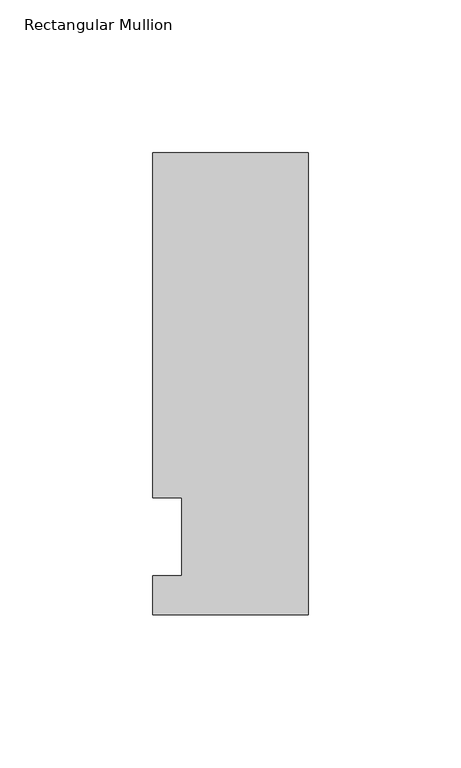
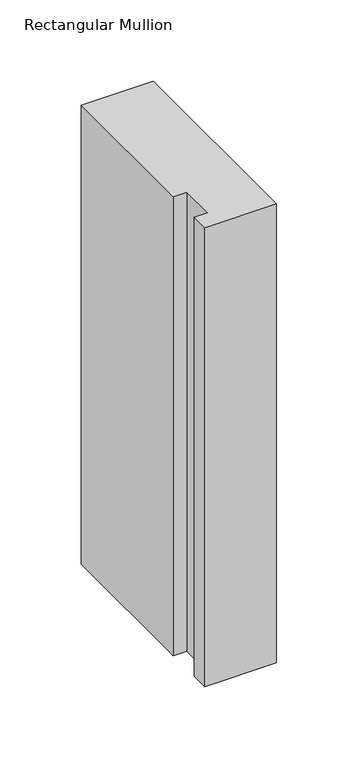
"""IFC4 building model written with IfcOpenShell, lengths in millimetres: member geometry, Rectangular Mullion."""

from ifc_helpers import new_model, si_unit, frame, origin, place, context, project, spatial, polyline, outline, extrude, source, transform, mapped, element, save


def rectangular_mullion_d9c7e1b5(model_context):
    return source(origin(), model_context, "Body", "SweptSolid", [
        extrude(outline(polyline([(-50.8, -25.5984375), (-50.8, -12.7), (-41.275, -12.7), (-41.275, 12.7), (-50.8, 12.7), (-50.8, 125.6109375), (0.0, 125.6109375), (0.0, -25.5984375), (-50.8, -25.5984375)])), frame((0.0, 0.0, -343.7449447), z_axis=(0.0, 0.0, 1.0), x_axis=(1.0, 0.0, 0.0)), (0.0, 0.0, 1.0), 343.7449447),
    ])


if __name__ == "__main__":
    model = new_model("IFC4")
    model_context = context("Model", 3, world=origin())
    ifc_project = project(units=[si_unit("LENGTHUNIT", "METRE", prefix="MILLI")], contexts=[model_context])
    site = spatial("IfcSite", under=ifc_project)
    building = spatial("IfcBuilding", under=site)
    placement = place(None, origin())
    rectangular_mullion_shape = rectangular_mullion_d9c7e1b5(model_context)
    element("IfcMember", 1, ObjectType="Rectangular Mullion", at=placement, inside=building, context=model_context, shape_type="MappedRepresentation", body=[
        mapped(rectangular_mullion_shape, transform((0.0, 0.0, 0.0), x_axis=(1.0, 0.0, 0.0), y_axis=(0.0, 1.0, 0.0), z_axis=(0.0, 0.0, 1.0))),
    ])
    save(model, "model.ifc")
